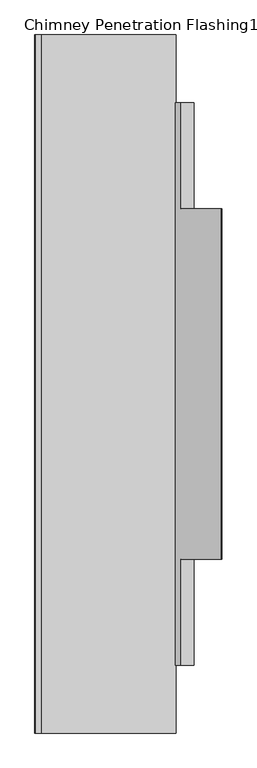
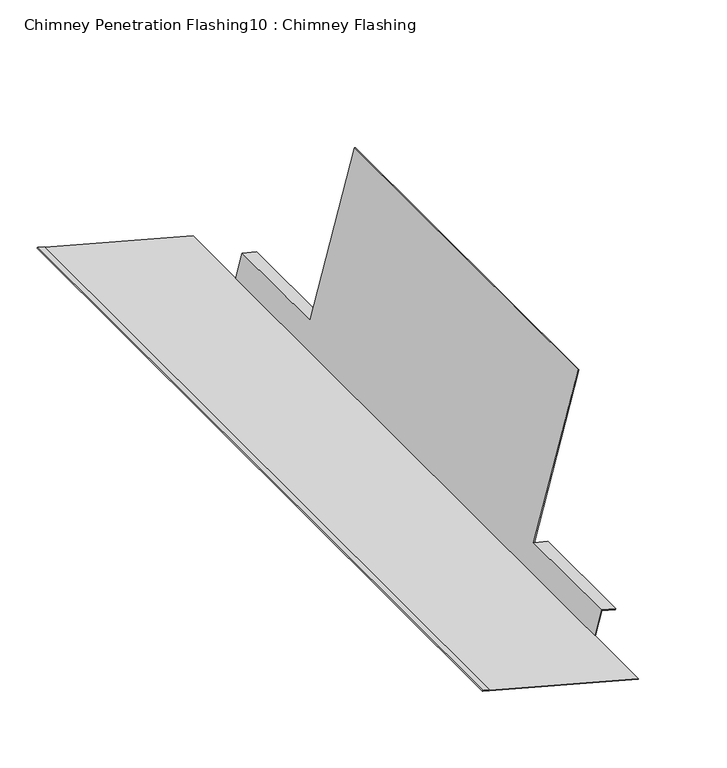
"""IFC4 building model written with IfcOpenShell, lengths in millimetres: proxy geometry, Chimney Penetration Flashing10 : Chimney Flashing."""

from ifc_helpers import new_model, si_unit, frame, origin, place, context, project, spatial, circle_curve, source, transform, mapped, element, save
from ifc_brep_helpers import plane_surface, cylinder_surface, advanced_brep


def chimney_penetration_flashing10_chimney_flashing_794eefee(model_context):
    return source(origin(), model_context, "Body", "AdvancedBrep", [
        advanced_brep(
        [(43682.6297138, -25834.4385792, 7245.6112442), (43682.8882795, -25834.4385792, 7246.5772379), (43451.0332737, -25834.4385792, 7308.5722555), (43451.291586, -25834.4385792, 7309.5383169), (43441.6309714, -25834.4385792, 7312.1214399), (43441.1143468, -25834.4385792, 7310.1893169), (43682.6297138, -24634.4385792, 7245.6112442), (43441.1143468, -24634.4385792, 7310.1893169), (43441.6309714, -24634.4385792, 7312.1214399), (43451.291586, -24634.4385792, 7309.5383169), (43451.0332737, -24634.4385792, 7308.5722555), (43682.8882795, -24634.4385792, 7246.5772379), (43682.8882795, -24750.7751304, 7246.5772379), (43692.9723413, -24750.7751304, 7284.2509927), (43692.9723413, -24933.4385792, 7284.2509927), (43693.2309069, -24933.4385792, 7285.2169864), (43762.7002148, -24933.4385792, 7544.752255), (43762.7002148, -25535.4385792, 7544.752255), (43693.2309069, -25535.4385792, 7285.2169864), (43692.9723413, -25535.4385792, 7284.2509927), (43692.9723413, -25718.1020279, 7284.2509927), (43682.8882795, -25718.1020279, 7246.5772379), (43681.922218, -25718.1020279, 7246.8355502), (43681.922218, -24750.7751304, 7246.8355502), (43761.7342211, -25535.4385792, 7545.0108207), (43692.2649811, -25535.4385792, 7285.4758055), (43761.7342211, -24933.4385792, 7545.0108207), (43692.2649811, -24933.4385792, 7285.4758055), (43714.5800737, -25535.4385792, 7279.4964945), (43714.321508, -25535.4385792, 7278.5305007), (43714.5800737, -25718.1020279, 7279.4964945), (43714.321508, -25718.1020279, 7278.5305007), (43692.2649811, -24750.7751304, 7285.4758055), (43692.2649811, -25718.1020279, 7285.4758055), (43714.321508, -24933.4385792, 7278.5305007), (43714.5800737, -24933.4385792, 7279.4964945), (43714.5800737, -24750.7751304, 7279.4964945), (43714.321508, -24750.7751304, 7278.5305007)],
        [
            (0, 1),
            (1, 2),
            (2, 3),
            (3, 4),
            (4, 5, circle_curve(frame((43441.3726591, -25834.4385792, 7311.1553784), z_axis=(0.0, -1.0, 0.0), x_axis=(-0.49954561977112655, 0.0, -0.8662875814459544)), 1.0)),
            (5, 0),
            (6, 7),
            (7, 8, circle_curve(frame((43441.3726591, -24634.4385792, 7311.1553784), z_axis=(0.0, 1.0, 0.0), x_axis=(-0.49954561977112655, 0.0, -0.8662875814459544)), 1.0)),
            (8, 9),
            (9, 10),
            (10, 11),
            (11, 6),
            (0, 6),
            (11, 12),
            (12, 13),
            (13, 14),
            (14, 15),
            (15, 16),
            (16, 17),
            (17, 18),
            (18, 19),
            (19, 20),
            (20, 21),
            (21, 1),
            (21, 22),
            (22, 23),
            (23, 12),
            (10, 2),
            (9, 3),
            (8, 4),
            (7, 5),
            (17, 24),
            (24, 25),
            (25, 18),
            (26, 16),
            (15, 27),
            (27, 26),
            (26, 24),
            (28, 29),
            (29, 19),
            (18, 28),
            (30, 31),
            (31, 29),
            (28, 30),
            (31, 20),
            (27, 32),
            (32, 23),
            (22, 33),
            (33, 25),
            (30, 33),
            (14, 34),
            (34, 35),
            (35, 15),
            (36, 37),
            (37, 13),
            (32, 36),
            (34, 37),
            (36, 35),
        ],
        [
            plane_surface(frame((41975.9824741, -25834.4385792, 7636.9190019), z_axis=(0.0, -1.0, 0.0), x_axis=(-0.8662875814459544, 0.0, 0.49954561977112655))),
            plane_surface(frame((41975.9824741, -24634.4385792, 7636.9190019), z_axis=(0.0, 1.0, 0.0), x_axis=(-0.8662875814459544, 0.0, 0.49954561977112655))),
            plane_surface(frame((43682.6297138, -25834.4385792, 7245.6112442), z_axis=(0.9659936804777709, 0.0, -0.25856567691209587), x_axis=(0.0, 1.0, 0.0))),
            plane_surface(frame((43682.8882795, -25834.4385792, 7246.5772379), z_axis=(0.2583122909324994, 0.0, 0.9660614682064511), x_axis=(0.0, 1.0, 0.0))),
            plane_surface(frame((43451.0332737, -25834.4385792, 7308.5722555), z_axis=(0.9660614682064237, 0.0, -0.2583122909326017), x_axis=(0.0, 1.0, 0.0))),
            plane_surface(frame((43451.291586, -25834.4385792, 7309.5383169), z_axis=(0.2583122909325091, 0.0, 0.9660614682064486), x_axis=(0.0, 1.0, 0.0))),
            cylinder_surface(frame((43441.3726591, -25834.4385792, 7311.1553784), z_axis=(0.0, -1.0, 0.0), x_axis=(-0.49954561977112655, 0.0, -0.8662875814459544)), 1.0),
            plane_surface(frame((43441.1143468, -25834.4385792, 7310.1893169), z_axis=(-0.2583122909324994, 0.0, -0.9660614682064511), x_axis=(0.0, 1.0, 0.0))),
            plane_surface(frame((41975.9824741, -25535.4385792, 7636.9190019), z_axis=(0.0, -1.0, 0.0), x_axis=(-0.8662875814459544, 0.0, 0.49954561977112655))),
            plane_surface(frame((41975.9824741, -24933.4385792, 7636.9190019), z_axis=(0.0, 1.0, 0.0), x_axis=(-0.8662875814459544, 0.0, 0.49954561977112655))),
            plane_surface(frame((43762.7002148, -25535.4385792, 7544.752255), z_axis=(0.2585656769122504, 0.0, 0.9659936804777295), x_axis=(0.0, 1.0, 0.0))),
            plane_surface(frame((41975.9824741, -25535.4385792, 7636.9190019), z_axis=(0.0, 1.0, 0.0), x_axis=(-0.8662875814459544, 0.0, 0.49954561977112655))),
            plane_surface(frame((43714.321508, -25718.1020279, 7278.5305007), z_axis=(0.9659936804777709, 0.0, -0.25856567691209587), x_axis=(0.0, 1.0, 0.0))),
            plane_surface(frame((43692.9723413, -25718.1020279, 7284.2509927), z_axis=(-0.2588190451025206, 0.0, -0.9659258262890684), x_axis=(0.0, 1.0, 0.0))),
            plane_surface(frame((43761.7342211, -25535.4385792, 7545.0108207), z_axis=(-0.9659936804777581, 0.0, 0.25856567691214355), x_axis=(0.0, 1.0, 0.0))),
            plane_surface(frame((41975.9824741, -25718.1020279, 7636.9190019), z_axis=(0.0, -1.0, 0.0), x_axis=(-0.8662875814459544, 0.0, 0.49954561977112655))),
            plane_surface(frame((43714.5800737, -25718.1020279, 7279.4964945), z_axis=(0.2588190451032082, 0.0, 0.9659258262888841), x_axis=(0.0, 1.0, 0.0))),
            plane_surface(frame((41975.9824741, -24933.4385792, 7636.9190019), z_axis=(0.0, -1.0, 0.0), x_axis=(-0.8662875814459544, 0.0, 0.49954561977112655))),
            plane_surface(frame((41975.9824741, -24750.7751304, 7636.9190019), z_axis=(0.0, 1.0, 0.0), x_axis=(-0.8662875814459544, 0.0, 0.49954561977112655))),
            plane_surface(frame((43714.321508, -24933.4385792, 7278.5305007), z_axis=(0.9659936804777709, 0.0, -0.25856567691209587), x_axis=(0.0, 1.0, 0.0))),
            plane_surface(frame((43692.9723413, -24933.4385792, 7284.2509927), z_axis=(-0.2588190451025206, 0.0, -0.9659258262890684), x_axis=(0.0, 1.0, 0.0))),
            plane_surface(frame((43714.5800737, -24933.4385792, 7279.4964945), z_axis=(0.2588190451032082, 0.0, 0.9659258262888841), x_axis=(0.0, 1.0, 0.0))),
        ],
        [
            (0, [[1, 2, 3, 4, 5, 6]]),
            (1, [[7, 8, 9, 10, 11, 12]]),
            (2, [[-1, 13, -12, 14, 15, 16, 17, 18, 19, 20, 21, 22, 23, 24]]),
            (3, [[-2, -24, 25, 26, 27, -14, -11, 28]]),
            (4, [[-3, -28, -10, 29]]),
            (5, [[-4, -29, -9, 30]]),
            (6, [[-5, -30, -8, 31]]),
            (7, [[-6, -31, -7, -13]]),
            (8, [[32, 33, 34, -20]]),
            (9, [[35, -18, 36, 37]]),
            (10, [[-32, -19, -35, 38]]),
            (11, [[39, 40, -21, 41]]),
            (12, [[42, 43, -39, 44]]),
            (13, [[45, -22, -40, -43]]),
            (14, [[-38, -37, 46, 47, -26, 48, 49, -33]]),
            (15, [[50, -48, -25, -23, -45, -42]]),
            (16, [[-50, -44, -41, -34, -49]]),
            (17, [[51, 52, 53, -17]]),
            (18, [[54, 55, -15, -27, -47, 56]]),
            (19, [[-52, 57, -54, 58]]),
            (20, [[-51, -16, -55, -57]]),
            (21, [[-56, -46, -36, -53, -58]]),
        ],
    ),
    ])


if __name__ == "__main__":
    model = new_model("IFC4")
    model_context = context("Model", 3, world=origin())
    ifc_project = project(units=[si_unit("LENGTHUNIT", "METRE", prefix="MILLI")], contexts=[model_context])
    site = spatial("IfcSite", under=ifc_project)
    building = spatial("IfcBuilding", under=site)
    placement = place(None, origin())
    chimney_penetration_flashing10_chimney_flashing_shape = chimney_penetration_flashing10_chimney_flashing_794eefee(model_context)
    element("IfcBuildingElementProxy", 1, Name="Chimney Penetration Flashing10 : Chimney Flashing", ObjectType="Chimney Penetration Flashing10 : Chimney Flashing", at=placement, inside=building, context=model_context, shape_type="MappedRepresentation", body=[
        mapped(chimney_penetration_flashing10_chimney_flashing_shape, transform((0.0, 0.0, 0.0), x_axis=(1.0, 0.0, 0.0), y_axis=(0.0, 1.0, 0.0), z_axis=(0.0, 0.0, 1.0))),
    ])
    save(model, "model.ifc")
